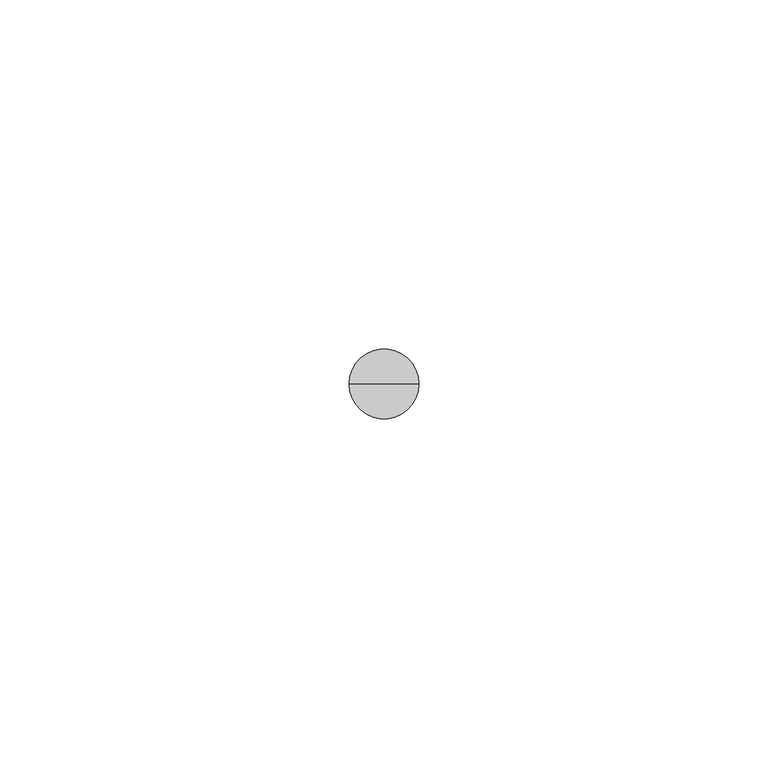
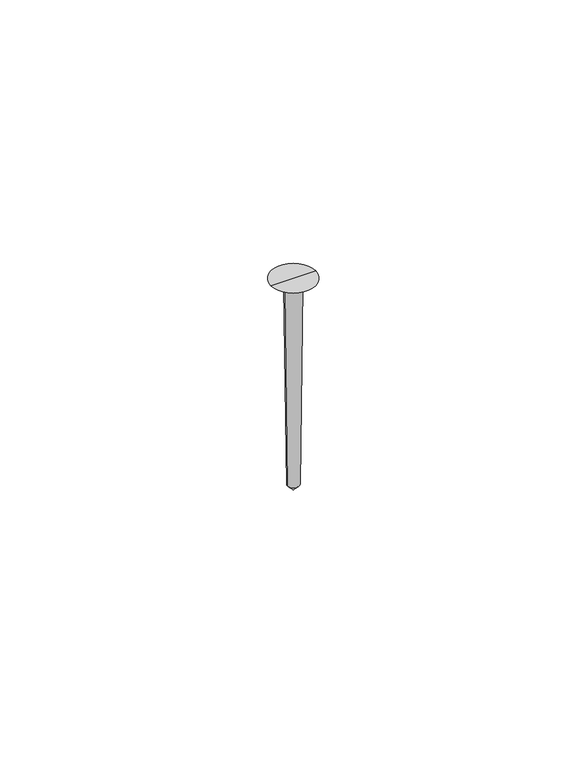
"""IFC4 building model written with IfcOpenShell, lengths in millimetres: proxy geometry."""

from ifc_helpers import new_model, si_unit, frame, origin, origin_with_axes, place, context, project, spatial, polyline, circle_curve, source, transform, mapped, element, save
from ifc_brep_helpers import plane_surface, revolved_surface, advanced_brep


def generic_models_0fed3acb(model_context):
    return source(origin(), model_context, "Body", "AdvancedBrep", [
        advanced_brep(
        [(-5.0, 0.0, 0.0), (5.0, 0.0, 0.0), (1.865608, 0.0, -1.809642), (-1.865608, 0.0, -1.809642), (1.3053271, 0.0, -48.6594235), (-1.3053271, 0.0, -48.6594235), (0.0, 0.0, -50.0), (0.0, 0.0, 0.0)],
        [
            (0, 1, circle_curve(frame((0.0, 0.0, 0.0), z_axis=(0.0, 0.0, -1.0), x_axis=(1.0, 0.0, 0.0)), 5.0)),
            (1, 2),
            (2, 3, circle_curve(frame((0.0, 0.0, -1.809642), z_axis=(0.0, 0.0, 1.0), x_axis=(1.0, 0.0, 0.0)), 1.865608)),
            (3, 0),
            (1, 0, circle_curve(frame((0.0, 0.0, 0.0), z_axis=(0.0, 0.0, -1.0), x_axis=(1.0, 0.0, 0.0)), 5.0)),
            (3, 2, circle_curve(frame((0.0, 0.0, -1.809642), z_axis=(0.0, 0.0, 1.0), x_axis=(1.0, 0.0, 0.0)), 1.865608)),
            (2, 4),
            (4, 5, circle_curve(frame((0.0, 0.0, -48.6594235), z_axis=(0.0, 0.0, 1.0), x_axis=(1.0, 0.0, 0.0)), 1.3053271)),
            (5, 3),
            (5, 4, circle_curve(frame((0.0, 0.0, -48.6594235), z_axis=(0.0, 0.0, 1.0), x_axis=(1.0, 0.0, 0.0)), 1.3053271)),
            (4, 6),
            (6, 5),
            (7, 1),
            (0, 7),
        ],
        [
            revolved_surface(polyline([(1.865608, 0.0, -1.809642), (5.0, 0.0, 0.0)]), (0.0, 0.0, -1025.0), (0.0, 0.0, 1.0)),
            revolved_surface(polyline([(1.3053271, 0.0, -48.6594235), (1.865608, 0.0, -1.809642)]), (0.0, 0.0, -1025.0), (0.0, 0.0, 1.0)),
            revolved_surface(polyline([(0.0, 0.0, -50.0), (1.3053271, 0.0, -48.6594235)]), (0.0, 0.0, -1025.0), (0.0, 0.0, 1.0)),
            plane_surface(origin_with_axes()),
        ],
        [
            (0, [[1, 2, 3, 4]]),
            (0, [[5, -4, 6, -2]]),
            (1, [[-3, 7, 8, 9]]),
            (1, [[-6, -9, 10, -7]]),
            (2, [[-8, 11, 12]]),
            (2, [[-10, -12, -11]]),
            (3, [[13, -1, 14]]),
            (3, [[-14, -5, -13]]),
        ],
    ),
    ])


if __name__ == "__main__":
    model = new_model("IFC4")
    model_context = context("Model", 3, world=origin())
    ifc_project = project(units=[si_unit("LENGTHUNIT", "METRE", prefix="MILLI")], contexts=[model_context])
    site = spatial("IfcSite", under=ifc_project)
    building = spatial("IfcBuilding", under=site)
    placement = place(None, origin())
    generic_models_shape = generic_models_0fed3acb(model_context)
    element("IfcBuildingElementProxy", 1, Name="Generic Models", at=placement, inside=building, context=model_context, shape_type="MappedRepresentation", body=[
        mapped(generic_models_shape, transform((0.0, 0.0, 0.0), x_axis=(1.0, 0.0, 0.0), y_axis=(0.0, 1.0, 0.0), z_axis=(0.0, 0.0, 1.0))),
    ])
    save(model, "model.ifc")
